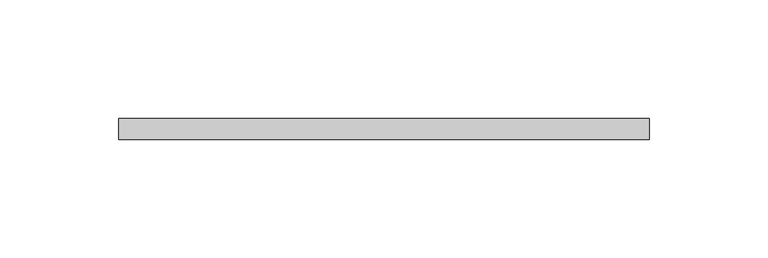
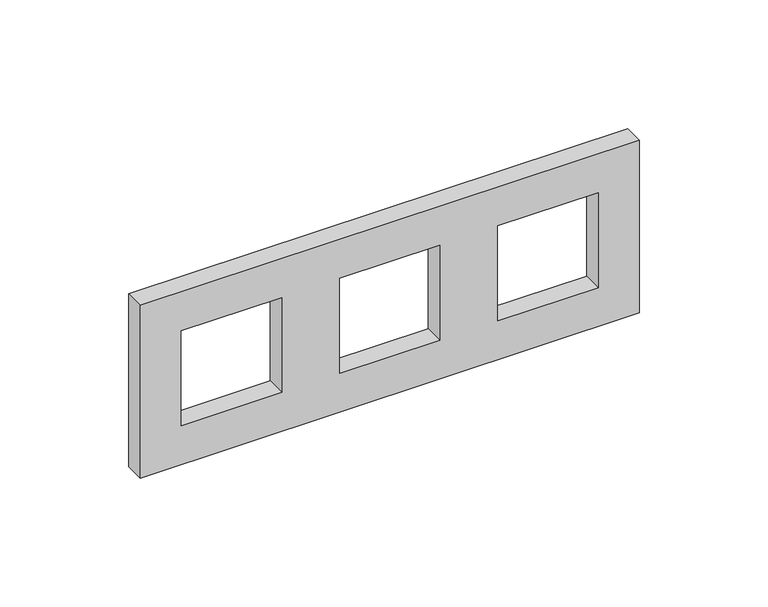
"""IFC4 building model written with IfcOpenShell, lengths in millimetres: proxy geometry."""

from ifc_helpers import new_model, si_unit, frame, origin, place, context, project, spatial, polyline, outline, extrude, source, transform, mapped, element, save


def electrical_fixtures_18e81fe3(model_context):
    return source(origin(), model_context, "Body", "SweptSolid", [
        extrude(outline(polyline([(41.0, 112.0), (41.0, -112.0), (-41.0, -112.0), (-41.0, 112.0), (41.0, 112.0)]), holes=[polyline([(22.5, -48.5), (-22.5, -48.5), (-22.5, -93.5), (22.5, -93.5), (22.5, -48.5)]), polyline([(22.5, 22.5), (-22.5, 22.5), (-22.5, -22.5), (22.5, -22.5), (22.5, 22.5)]), polyline([(22.5, 93.5), (-22.5, 93.5), (-22.5, 48.5), (22.5, 48.5), (22.5, 93.5)])]), frame((0.0, 0.0, 0.0), z_axis=(0.0, 1.0, 0.0), x_axis=(0.0, 0.0, 1.0)), (0.0, 0.0, 1.0), 9.0),
    ])


if __name__ == "__main__":
    model = new_model("IFC4")
    model_context = context("Model", 3, world=origin())
    ifc_project = project(units=[si_unit("LENGTHUNIT", "METRE", prefix="MILLI")], contexts=[model_context])
    site = spatial("IfcSite", under=ifc_project)
    building = spatial("IfcBuilding", under=site)
    placement = place(None, origin())
    electrical_fixtures_shape = electrical_fixtures_18e81fe3(model_context)
    element("IfcBuildingElementProxy", 1, Name="Electrical Fixtures", at=placement, inside=building, context=model_context, shape_type="MappedRepresentation", body=[
        mapped(electrical_fixtures_shape, transform((0.0, 0.0, 0.0), x_axis=(1.0, 0.0, 0.0), y_axis=(0.0, 1.0, 0.0), z_axis=(0.0, 0.0, 1.0))),
    ])
    save(model, "model.ifc")
